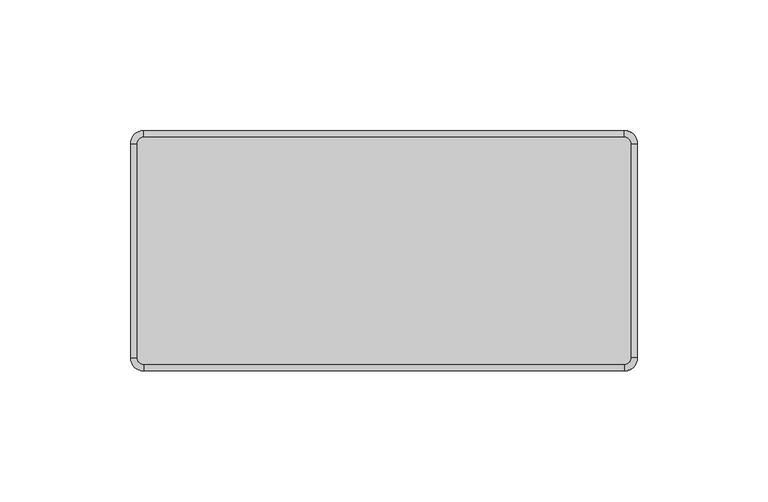
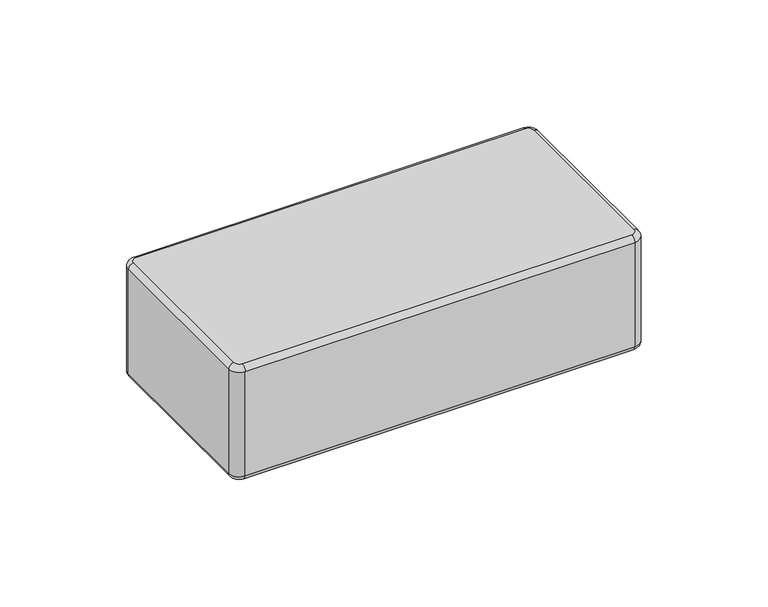
"""IFC4 building model written with IfcOpenShell, lengths in millimetres: plate geometry."""

from ifc_helpers import new_model, si_unit, point, frame, origin, place, context, project, spatial, circle_curve, ellipse_curve, trimmed, source, transform, mapped, element, save
from ifc_brep_helpers import plane_surface, cylinder_surface, revolved_surface, advanced_brep


def plate_1474999d(model_context):
    return source(origin(), model_context, "Body", "AdvancedBrep", [
        advanced_brep(
        [(94.6625002, 41.0, 57.0), (92.1625002, 43.5, 57.0), (-91.8374998, 43.5, 57.0), (-94.3374998, 41.0, 57.0), (-94.3374998, -41.0, 57.0), (-91.8374998, -43.5, 57.0), (92.1625002, -43.5, 57.0), (94.6625002, -41.0, 57.0), (-94.3374998, 41.0, 0.0), (-91.8374998, 43.5, 0.0), (92.1625002, 43.5, 0.0), (94.6625002, 41.0, 0.0), (94.6625002, -41.0, 0.0), (92.1625002, -43.5, 0.0), (-91.8374998, -43.5, 0.0), (-94.3374998, -41.0, 0.0), (-91.8374998, -46.0, 2.5), (92.1625002, -46.0, 2.5), (92.1625002, -46.0, 54.5), (-91.8374998, -46.0, 54.5), (97.1625002, -41.0, 2.5), (97.1625002, 41.0, 2.5), (97.1625002, 41.0, 54.5000019), (97.1625002, -41.0, 54.5), (92.1625002, 46.0, 2.5), (-91.8374998, 46.0, 2.5), (-91.8374998, 46.0, 54.5), (92.1625002, 46.0, 54.5), (-96.8374998, 41.0, 2.5), (-96.8374998, -41.0, 2.5), (-96.8374998, -41.0, 54.5), (-96.8374998, 41.0, 54.5)],
        [
            (0, 1, circle_curve(frame((92.1625002, 41.0, 57.0), z_axis=(0.0, 0.0, 1.0), x_axis=(1.0, 0.0, 0.0)), 2.5)),
            (1, 2),
            (2, 3, circle_curve(frame((-91.8374998, 41.0, 57.0), z_axis=(0.0, 0.0, 1.0), x_axis=(0.0, 1.0, 0.0)), 2.5)),
            (3, 4),
            (4, 5, circle_curve(frame((-91.8374998, -41.0, 57.0), z_axis=(0.0, 0.0, 1.0), x_axis=(-1.0, 0.0, 0.0)), 2.5)),
            (5, 6),
            (6, 7, circle_curve(frame((92.1625002, -41.0, 57.0), z_axis=(0.0, 0.0, 1.0), x_axis=(0.0, -1.0, 0.0)), 2.5)),
            (7, 0),
            (8, 9, circle_curve(frame((-91.8374998, 41.0, 0.0), z_axis=(0.0, 0.0, -1.0), x_axis=(-1.0, 0.0, 0.0)), 2.5)),
            (9, 10),
            (10, 11, circle_curve(frame((92.1625002, 41.0, 0.0), z_axis=(0.0, 0.0, -1.0), x_axis=(0.0, 1.0, 0.0)), 2.5)),
            (11, 12),
            (12, 13, circle_curve(frame((92.1625002, -41.0, 0.0), z_axis=(0.0, 0.0, -1.0), x_axis=(1.0, 0.0, 0.0)), 2.5)),
            (13, 14),
            (14, 15, circle_curve(frame((-91.8374998, -41.0, 0.0), z_axis=(0.0, 0.0, -1.0), x_axis=(0.0, -1.0, 0.0)), 2.5)),
            (15, 8),
            (16, 17),
            (17, 18),
            (18, 19),
            (19, 16),
            (20, 21),
            (21, 22),
            (22, 23),
            (23, 20),
            (24, 25),
            (25, 26),
            (26, 27),
            (27, 24),
            (28, 29),
            (29, 30),
            (30, 31),
            (31, 28),
            (29, 16, circle_curve(frame((-91.8374998, -41.0, 2.5), z_axis=(0.0, 0.0, 1.0), x_axis=(1.0, 0.0, 0.0)), 5.0)),
            (19, 30, circle_curve(frame((-91.8374998, -41.0, 54.5), z_axis=(0.0, 0.0, -1.0), x_axis=(1.0, 0.0, 0.0)), 5.0)),
            (17, 20, circle_curve(frame((92.1625002, -41.0, 2.5), z_axis=(0.0, 0.0, 1.0), x_axis=(1.0, 0.0, 0.0)), 5.0)),
            (23, 18, circle_curve(frame((92.1625002, -41.0, 54.5), z_axis=(0.0, 0.0, -1.0), x_axis=(1.0, 0.0, 0.0)), 5.0)),
            (21, 24, circle_curve(frame((92.1625002, 41.0, 2.5), z_axis=(0.0, 0.0, 1.0), x_axis=(1.0, 0.0, 0.0)), 5.0)),
            (27, 22, circle_curve(frame((92.1625002, 41.0, 54.5), z_axis=(0.0, 0.0, -1.0), x_axis=(1.0, 0.0, 0.0)), 5.0)),
            (25, 28, circle_curve(frame((-91.8374998, 41.0, 2.5), z_axis=(0.0, 0.0, 1.0), x_axis=(1.0, 0.0, 0.0)), 5.0)),
            (31, 26, circle_curve(frame((-91.8374998, 41.0, 54.5), z_axis=(0.0, 0.0, -1.0), x_axis=(1.0, 0.0, 0.0)), 5.0)),
            (25, 9, circle_curve(frame((-91.8374998, 43.5, 2.5), z_axis=(-1.0, 0.0, 0.0), x_axis=(0.0, -1.0, 0.0)), 2.5)),
            (8, 28, circle_curve(frame((-94.3374998, 41.0, 2.5), z_axis=(0.0, 1.0, 0.0), x_axis=(1.0, 0.0, 0.0)), 2.5)),
            (24, 10, circle_curve(frame((92.1625002, 43.5, 2.5), z_axis=(-1.0, 0.0, 0.0), x_axis=(0.0, -1.0, 0.0)), 2.5)),
            (21, 11, circle_curve(frame((94.6625002, 41.0, 2.5), z_axis=(0.0, 1.0, 0.0), x_axis=(-1.0, 0.0, 0.0)), 2.5)),
            (20, 12, circle_curve(frame((94.6625002, -41.0, 2.5), z_axis=(0.0, 1.0, 0.0), x_axis=(-1.0, 0.0, 0.0)), 2.5)),
            (17, 13, circle_curve(frame((92.1625002, -43.5, 2.5), z_axis=(1.0, 0.0, 0.0), x_axis=(0.0, 1.0, 0.0)), 2.5)),
            (16, 14, circle_curve(frame((-91.8374998, -43.5, 2.5), z_axis=(1.0, 0.0, 0.0), x_axis=(0.0, 1.0, 0.0)), 2.5)),
            (29, 15, circle_curve(frame((-94.3374998, -41.0, 2.5), z_axis=(0.0, -1.0, 0.0), x_axis=(1.0, 0.0, 0.0)), 2.5)),
            (27, 1, circle_curve(frame((92.1625002, 43.5, 54.5), z_axis=(1.0, 0.0, 0.0), x_axis=(0.0, -1.0, 0.0)), 2.5)),
            (0, 22, circle_curve(frame((94.6625002, 41.0, 54.5), z_axis=(0.0, 1.0, 0.0), x_axis=(-1.0, 0.0, 0.0)), 2.5)),
            (26, 2, circle_curve(frame((-91.8374998, 43.5, 54.5), z_axis=(1.0, 0.0, 0.0), x_axis=(0.0, -1.0, 0.0)), 2.5)),
            (31, 3, circle_curve(frame((-94.3374998, 41.0, 54.5), z_axis=(0.0, 1.0, 0.0), x_axis=(1.0, 0.0, 0.0)), 2.5)),
            (30, 4, circle_curve(frame((-94.3374998, -41.0, 54.5), z_axis=(0.0, 1.0, 0.0), x_axis=(1.0, 0.0, 0.0)), 2.5)),
            (19, 5, circle_curve(frame((-91.8374998, -43.5, 54.5), z_axis=(-1.0, 0.0, 0.0), x_axis=(0.0, 1.0, 0.0)), 2.5)),
            (18, 6, circle_curve(frame((92.1625002, -43.5, 54.5), z_axis=(-1.0, 0.0, 0.0), x_axis=(0.0, 1.0, 0.0)), 2.5)),
            (23, 7, circle_curve(frame((94.6625002, -41.0, 54.5), z_axis=(0.0, -1.0, 0.0), x_axis=(-1.0, 0.0, 0.0)), 2.5)),
        ],
        [
            plane_surface(frame((-86.8374998, -41.0, 57.0), z_axis=(0.0, 0.0, 1.0), x_axis=(0.0, 1.0, 0.0))),
            plane_surface(frame((-86.8374998, -41.0, 0.0), z_axis=(0.0, 0.0, -1.0), x_axis=(0.0, -1.0, 0.0))),
            plane_surface(frame((-91.8374998, -46.0, 57.0), z_axis=(0.0, -1.0, 0.0), x_axis=(0.0, 0.0, -1.0))),
            plane_surface(frame((97.1625002, -41.0, 57.0), z_axis=(1.0, 0.0, 0.0), x_axis=(0.0, 0.0, -1.0))),
            plane_surface(frame((92.1625002, 46.0, 57.0), z_axis=(0.0, 1.0, 0.0), x_axis=(0.0, 0.0, -1.0))),
            plane_surface(frame((-96.8374998, 41.0, 57.0), z_axis=(-1.0, 0.0, 0.0), x_axis=(0.0, 0.0, -1.0))),
            cylinder_surface(frame((-91.8374998, -41.0, 0.0), z_axis=(0.0, 0.0, 1.0), x_axis=(1.0, 0.0, 0.0)), 5.0),
            cylinder_surface(frame((92.1625002, -41.0, 0.0), z_axis=(0.0, 0.0, 1.0), x_axis=(1.0, 0.0, 0.0)), 5.0),
            cylinder_surface(frame((92.1625002, 41.0, 0.0), z_axis=(0.0, 0.0, 1.0), x_axis=(1.0, 0.0, 0.0)), 5.0),
            cylinder_surface(frame((-91.8374998, 41.0, 0.0), z_axis=(0.0, 0.0, 1.0), x_axis=(1.0, 0.0, 0.0)), 5.0),
            revolved_surface(trimmed(ellipse_curve(frame((-94.3374998, 41.0, 2.5), z_axis=(0.0, -1.0, 0.0), x_axis=(1.0, 0.0, 0.0)), 2.5, 2.5), [point((-96.8374998, 41.0, 2.5))], [point((-94.3374998, 41.0, 0.0))], True, "CARTESIAN"), (-91.8374998, 41.0, 0.0), (0.0, 0.0, -1.0)),
            cylinder_surface(frame((-91.8374998, 43.5, 2.5), z_axis=(1.0, 0.0, 0.0), x_axis=(0.0, -1.0, 0.0)), 2.5),
            revolved_surface(trimmed(ellipse_curve(frame((92.1625002, 43.5, 2.5), z_axis=(-1.0, 0.0, 0.0), x_axis=(0.0, -1.0, 0.0)), 2.5, 2.5), [point((92.1625002, 46.0, 2.5))], [point((92.1625002, 43.5, 0.0))], True, "CARTESIAN"), (92.1625002, 41.0, 0.0), (0.0, 0.0, -1.0)),
            cylinder_surface(frame((94.6625002, 41.0, 2.5), z_axis=(0.0, -1.0, 0.0), x_axis=(-1.0, 0.0, 0.0)), 2.5),
            revolved_surface(trimmed(ellipse_curve(frame((94.6625002, -41.0, 2.5), z_axis=(0.0, 1.0, 0.0), x_axis=(-1.0, 0.0, 0.0)), 2.5, 2.5), [point((97.1625002, -41.0, 2.5))], [point((94.6625002, -41.0, 0.0))], True, "CARTESIAN"), (92.1625002, -41.0, 0.0), (0.0, 0.0, -1.0)),
            cylinder_surface(frame((92.1625002, -43.5, 2.5), z_axis=(-1.0, 0.0, 0.0), x_axis=(0.0, 1.0, 0.0)), 2.5),
            revolved_surface(trimmed(ellipse_curve(frame((-91.8374998, -43.5, 2.5), z_axis=(1.0, 0.0, 0.0), x_axis=(0.0, 1.0, 0.0)), 2.5, 2.5), [point((-91.8374998, -46.0, 2.5))], [point((-91.8374998, -43.5, 0.0))], True, "CARTESIAN"), (-91.8374998, -41.0, 0.0), (0.0, 0.0, -1.0)),
            cylinder_surface(frame((-94.3374998, -41.0, 2.5), z_axis=(0.0, 1.0, 0.0), x_axis=(1.0, 0.0, 0.0)), 2.5),
            revolved_surface(trimmed(ellipse_curve(frame((94.6625002, 41.0, 54.5), z_axis=(0.0, -1.0, 0.0), x_axis=(-1.0, 0.0, 0.0)), 2.5, 2.5), [point((97.1625002, 41.0, 54.5))], [point((94.6625002, 41.0, 57.0))], True, "CARTESIAN"), (92.1625002, 41.0, 57.0), (0.0, 0.0, 1.0)),
            cylinder_surface(frame((92.1625002, 43.5, 54.5), z_axis=(-1.0, 0.0, 0.0), x_axis=(0.0, -1.0, 0.0)), 2.5),
            revolved_surface(trimmed(ellipse_curve(frame((-91.8374998, 43.5, 54.5), z_axis=(1.0, 0.0, 0.0), x_axis=(0.0, -1.0, 0.0)), 2.5, 2.5), [point((-91.8374998, 46.0, 54.5))], [point((-91.8374998, 43.5, 57.0))], True, "CARTESIAN"), (-91.8374998, 41.0, 57.0), (0.0, 0.0, 1.0)),
            cylinder_surface(frame((-94.3374998, 41.0, 54.5), z_axis=(0.0, -1.0, 0.0), x_axis=(1.0, 0.0, 0.0)), 2.5),
            revolved_surface(trimmed(ellipse_curve(frame((-94.3374998, -41.0, 54.5), z_axis=(0.0, 1.0, 0.0), x_axis=(1.0, 0.0, 0.0)), 2.5, 2.5), [point((-96.8374998, -41.0, 54.5))], [point((-94.3374998, -41.0, 57.0))], True, "CARTESIAN"), (-91.8374998, -41.0, 57.0), (0.0, 0.0, 1.0)),
            cylinder_surface(frame((-91.8374998, -43.5, 54.5), z_axis=(1.0, 0.0, 0.0), x_axis=(0.0, 1.0, 0.0)), 2.5),
            revolved_surface(trimmed(ellipse_curve(frame((92.1625002, -43.5, 54.5), z_axis=(-1.0, 0.0, 0.0), x_axis=(0.0, 1.0, 0.0)), 2.5, 2.5), [point((92.1625002, -46.0, 54.5))], [point((92.1625002, -43.5, 57.0))], True, "CARTESIAN"), (92.1625002, -41.0, 57.0), (0.0, 0.0, 1.0)),
            cylinder_surface(frame((94.6625002, -41.0, 54.5), z_axis=(0.0, 1.0, 0.0), x_axis=(-1.0, 0.0, 0.0)), 2.5),
        ],
        [
            (0, [[1, 2, 3, 4, 5, 6, 7, 8]]),
            (1, [[9, 10, 11, 12, 13, 14, 15, 16]]),
            (2, [[17, 18, 19, 20]]),
            (3, [[21, 22, 23, 24]]),
            (4, [[25, 26, 27, 28]]),
            (5, [[29, 30, 31, 32]]),
            (6, [[33, -20, 34, -30]]),
            (7, [[35, -24, 36, -18]]),
            (8, [[37, -28, 38, -22]]),
            (9, [[39, -32, 40, -26]]),
            (10, [[41, -9, 42, -39]]),
            (11, [[-41, -25, 43, -10]]),
            (12, [[-43, -37, 44, -11]]),
            (13, [[-44, -21, 45, -12]]),
            (14, [[-45, -35, 46, -13]]),
            (15, [[-46, -17, 47, -14]]),
            (16, [[-47, -33, 48, -15]]),
            (17, [[-42, -16, -48, -29]]),
            (18, [[49, -1, 50, -38]]),
            (19, [[-49, -27, 51, -2]]),
            (20, [[-51, -40, 52, -3]]),
            (21, [[-52, -31, 53, -4]]),
            (22, [[-53, -34, 54, -5]]),
            (23, [[-54, -19, 55, -6]]),
            (24, [[-55, -36, 56, -7]]),
            (25, [[-50, -8, -56, -23]]),
        ],
    ),
    ])


if __name__ == "__main__":
    model = new_model("IFC4")
    model_context = context("Model", 3, world=origin())
    ifc_project = project(units=[si_unit("LENGTHUNIT", "METRE", prefix="MILLI")], contexts=[model_context])
    site = spatial("IfcSite", under=ifc_project)
    building = spatial("IfcBuilding", under=site)
    placement = place(None, origin())
    plate_shape = plate_1474999d(model_context)
    element("IfcPlate", 1, at=placement, inside=building, context=model_context, shape_type="MappedRepresentation", body=[
        mapped(plate_shape, transform((0.0, 0.0, 0.0), x_axis=(1.0, 0.0, 0.0), y_axis=(0.0, 1.0, 0.0), z_axis=(0.0, 0.0, 1.0))),
    ])
    save(model, "model.ifc")
